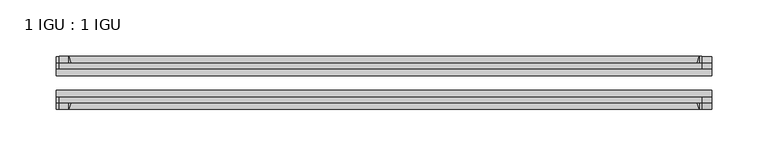
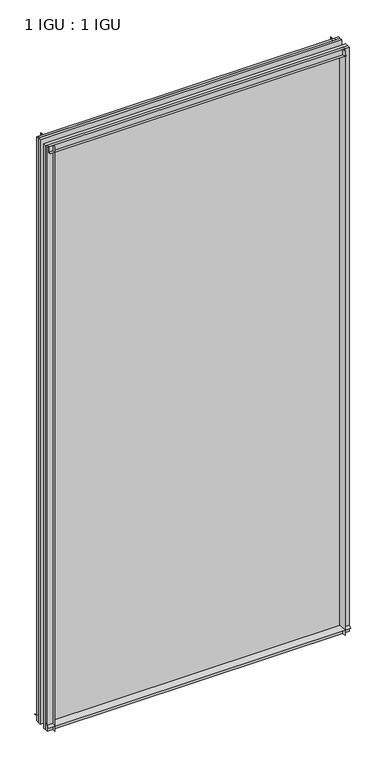
"""IFC4 building model written with IfcOpenShell, lengths in millimetres: plate geometry, 1 IGU : 1 IGU."""

from ifc_helpers import new_model, si_unit, point, frame, frame_2d, origin, place, context, project, spatial, polyline, circle_curve, trimmed, segment, composite_curve, outline, extrude, source, transform, mapped, element, save


def plate_1_igu_1_igu_73de7f45(model_context):
    return source(origin(), model_context, "Body", "SweptSolid", [
        extrude(outline(composite_curve([segment(trimmed(circle_curve(frame_2d((-28.0741797, 32.2797688)), 32.7673262), [point((-44.45, 3.8979053))], [point((-33.7058, 1.48e-05))], True, "CARTESIAN"), True, "CONTINUOUS"), segment(polyline([(-33.7058, 1.48e-05), (-39.6748, 1.48e-05), (-39.6748, -10.31875), (-44.45, -10.31875), (-44.45, 3.8979053)]), True, "CONTINUOUS")], self_intersect=False)), frame((-290.5125, 0.0, 0.0), z_axis=(1.0, 0.0, 0.0), x_axis=(0.0, 1.0, 0.0)), (0.0, 0.0, 1.0), 581.025),
        extrude(outline(composite_curve([segment(trimmed(circle_curve(frame_2d((-86.2258203, 32.2797602)), 32.7673262), [point((-80.5942354, 0.0))], [point((-69.85, 3.8978967))], True, "CARTESIAN"), True, "CONTINUOUS"), segment(polyline([(-69.85, 3.8978967), (-69.85, -10.31875), (-74.6252, -10.31875), (-74.6252, 0.0), (-80.5942354, 0.0)]), True, "CONTINUOUS")], self_intersect=False)), frame((-290.5125, 0.0, 0.0), z_axis=(1.0, 0.0, 0.0), x_axis=(0.0, 1.0, 0.0)), (0.0, 0.0, 1.0), 581.025),
        extrude(outline(composite_curve([segment(polyline([(-80.5942, 1167.60625), (-74.6252, 1167.60625), (-74.6252, 1178.71875), (-69.85, 1178.71875), (-69.85, 1163.7083595)]), True, "CONTINUOUS"), segment(trimmed(circle_curve(frame_2d((-86.2258203, 1135.326496)), 32.7673262), [point((-69.85, 1163.7083595))], [point((-80.5942, 1167.60625))], True, "CARTESIAN"), True, "CONTINUOUS")], self_intersect=False)), frame((-287.9127386, 0.0, 0.0), z_axis=(1.0, 0.0, 0.0), x_axis=(0.0, 1.0, 0.0)), (0.0, 0.0, 1.0), 569.8587001),
        extrude(outline(composite_curve([segment(polyline([(-39.6748, 1178.71875), (-39.6748, 1167.60625), (-33.7058, 1167.60625)]), True, "CONTINUOUS"), segment(trimmed(circle_curve(frame_2d((-28.0741797, 1135.326496)), 32.7673262), [point((-33.7058, 1167.60625))], [point((-44.45, 1163.7083595))], True, "CARTESIAN"), True, "CONTINUOUS"), segment(polyline([(-44.45, 1163.7083595), (-44.45, 1178.71875), (-39.6748, 1178.71875)]), True, "CONTINUOUS")], self_intersect=False)), frame((-287.9127386, 0.0, 0.0), z_axis=(1.0, 0.0, 0.0), x_axis=(0.0, 1.0, 0.0)), (0.0, 0.0, 1.0), 569.8587001),
        extrude(outline(composite_curve([segment(polyline([(290.5125, -39.6748), (290.5125, -44.45), (275.5021095, -44.45)]), True, "CONTINUOUS"), segment(trimmed(circle_curve(frame_2d((247.120246, -28.0741797)), 32.7673262), [point((275.5021095, -44.45))], [point((279.4, -33.7058))], True, "CARTESIAN"), True, "CONTINUOUS"), segment(polyline([(279.4, -33.7058), (279.4, -39.6748), (290.5125, -39.6748)]), True, "CONTINUOUS")], self_intersect=False)), frame((0.0, 0.0, -10.31875), z_axis=(0.0, 0.0, 1.0), x_axis=(1.0, 0.0, 0.0)), (0.0, 0.0, 1.0), 1189.0375),
        extrude(outline(composite_curve([segment(polyline([(290.5125, -69.85), (290.5125, -74.6252), (279.4, -74.6252), (279.4, -80.5942)]), True, "CONTINUOUS"), segment(trimmed(circle_curve(frame_2d((247.120246, -86.2258203)), 32.7673262), [point((279.4, -80.5942))], [point((275.5021095, -69.85))], True, "CARTESIAN"), True, "CONTINUOUS"), segment(polyline([(275.5021095, -69.85), (290.5125, -69.85)]), True, "CONTINUOUS")], self_intersect=False)), frame((0.0, 0.0, -10.31875), z_axis=(0.0, 0.0, 1.0), x_axis=(1.0, 0.0, 0.0)), (0.0, 0.0, 1.0), 1189.0375),
        extrude(outline(composite_curve([segment(polyline([(-290.5125, -39.6748), (-279.4, -39.6748), (-279.4, -33.7058)]), True, "CONTINUOUS"), segment(trimmed(circle_curve(frame_2d((-247.120246, -28.0741797)), 32.7673262), [point((-279.4, -33.7058))], [point((-275.5021095, -44.45))], True, "CARTESIAN"), True, "CONTINUOUS"), segment(polyline([(-275.5021095, -44.45), (-290.5125, -44.45), (-290.5125, -39.6748)]), True, "CONTINUOUS")], self_intersect=False)), frame((0.0, 0.0, -10.31875), z_axis=(0.0, 0.0, 1.0), x_axis=(1.0, 0.0, 0.0)), (0.0, 0.0, 1.0), 1189.0375),
        extrude(outline(composite_curve([segment(polyline([(-290.5125, -74.6252), (-290.5125, -69.85), (-275.5021095, -69.85)]), True, "CONTINUOUS"), segment(trimmed(circle_curve(frame_2d((-247.120246, -86.2258203)), 32.7673262), [point((-275.5021095, -69.85))], [point((-279.4, -80.5942))], True, "CARTESIAN"), True, "CONTINUOUS"), segment(polyline([(-279.4, -80.5942), (-279.4, -74.6252), (-290.5125, -74.6252)]), True, "CONTINUOUS")], self_intersect=False)), frame((0.0, 0.0, -10.31875), z_axis=(0.0, 0.0, 1.0), x_axis=(1.0, 0.0, 0.0)), (0.0, 0.0, 1.0), 1189.0375),
        extrude(outline(polyline([(-290.5125, -69.85), (-290.5125, -63.5508), (290.5125, -63.5508), (290.5125, -69.85), (-290.5125, -69.85)])), frame((0.0, 0.0, -10.31875), z_axis=(0.0, 0.0, 1.0), x_axis=(1.0, 0.0, 0.0)), (0.0, 0.0, 1.0), 1189.0375),
        extrude(outline(polyline([(290.5125, -50.7492), (-290.5125, -50.7492), (-290.5125, -44.45), (290.5125, -44.45), (290.5125, -50.7492)])), frame((0.0, 0.0, -10.31875), z_axis=(0.0, 0.0, 1.0), x_axis=(1.0, 0.0, 0.0)), (0.0, 0.0, 1.0), 1189.0375),
    ])


if __name__ == "__main__":
    model = new_model("IFC4")
    model_context = context("Model", 3, world=origin())
    ifc_project = project(units=[si_unit("LENGTHUNIT", "METRE", prefix="MILLI")], contexts=[model_context])
    site = spatial("IfcSite", under=ifc_project)
    building = spatial("IfcBuilding", under=site)
    placement = place(None, origin())
    plate_1_igu_1_igu_shape = plate_1_igu_1_igu_73de7f45(model_context)
    element("IfcPlate", 1, ObjectType="1 IGU : 1 IGU", at=placement, inside=building, context=model_context, shape_type="MappedRepresentation", body=[
        mapped(plate_1_igu_1_igu_shape, transform((0.0, 0.0, 0.0), x_axis=(1.0, 0.0, 0.0), y_axis=(0.0, 1.0, 0.0), z_axis=(0.0, 0.0, 1.0))),
    ])
    save(model, "model.ifc")
